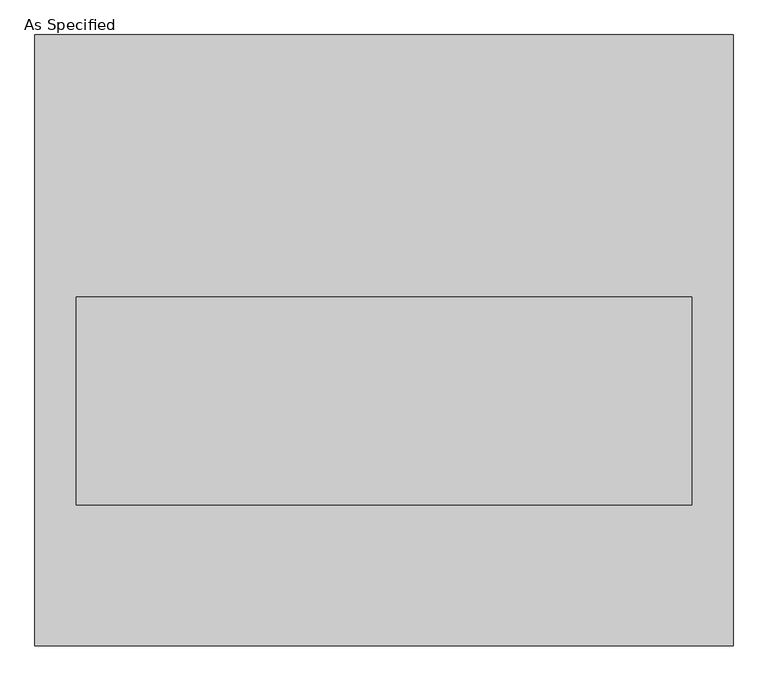
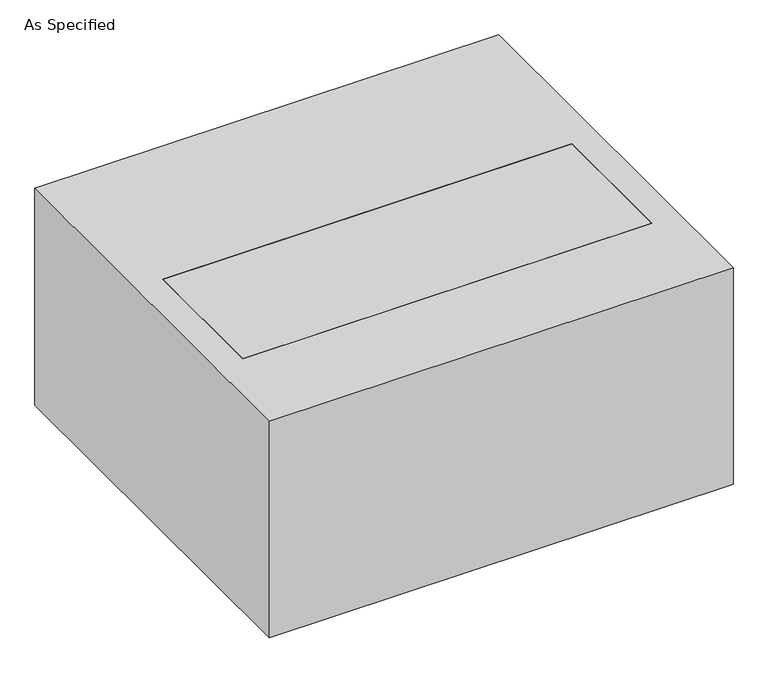
"""IFC4 building model written with IfcOpenShell, lengths in millimetres: proxy geometry, As Specified."""

from ifc_helpers import new_model, si_unit, frame, origin, place, context, project, spatial, polyline, outline, extrude, faceted_brep, source, transform, mapped, element, save


def as_specified_e395862f(model_context):
    return source(origin(), model_context, "Body", "SolidModel", [
        faceted_brep([(450.85, -241.3, -25.4), (450.85, 63.5, -25.4), (450.85, 63.5, -373.0625), (450.85, -241.3, -373.0625), (-511.175, 447.675, -25.4), (-511.175, 447.675, -530.225), (-511.175, -447.675, -530.225), (-511.175, -447.675, -25.4), (-450.85, 63.5, -25.4), (-450.85, -241.3, -25.4), (-450.85, -241.3, -373.0625), (-450.85, 63.5, -373.0625), (511.175, 447.675, -25.4), (511.175, -447.675, -25.4), (511.175, -447.675, -530.225), (511.175, 447.675, -530.225)], [[[0, 1, 2, 3]], [[4, 5, 6, 7]], [[8, 9, 10, 11]], [[12, 4, 7, 13], [9, 8, 1, 0]], [[12, 13, 14, 15]], [[14, 13, 7, 6]], [[15, 14, 6, 5]], [[12, 15, 5, 4]], [[8, 11, 2, 1]], [[11, 10, 3, 2]], [[10, 9, 0, 3]]]),
        extrude(outline(polyline([(450.85, 63.5), (450.85, -241.3), (-450.85, -241.3), (-450.85, 63.5), (450.85, 63.5)])), frame((0.0, 0.0, -373.0625), z_axis=(0.0, 0.0, 1.0), x_axis=(1.0, 0.0, 0.0)), (0.0, 0.0, 1.0), 347.6625),
    ])


if __name__ == "__main__":
    model = new_model("IFC4")
    model_context = context("Model", 3, world=origin())
    ifc_project = project(units=[si_unit("LENGTHUNIT", "METRE", prefix="MILLI")], contexts=[model_context])
    site = spatial("IfcSite", under=ifc_project)
    building = spatial("IfcBuilding", under=site)
    placement = place(None, origin())
    as_specified_shape = as_specified_e395862f(model_context)
    element("IfcBuildingElementProxy", 1, Name="As Specified", ObjectType="As Specified", at=placement, inside=building, context=model_context, shape_type="MappedRepresentation", body=[
        mapped(as_specified_shape, transform((0.0, 0.0, 0.0), x_axis=(1.0, 0.0, 0.0), y_axis=(0.0, 1.0, 0.0), z_axis=(0.0, 0.0, 1.0))),
    ])
    save(model, "model.ifc")
